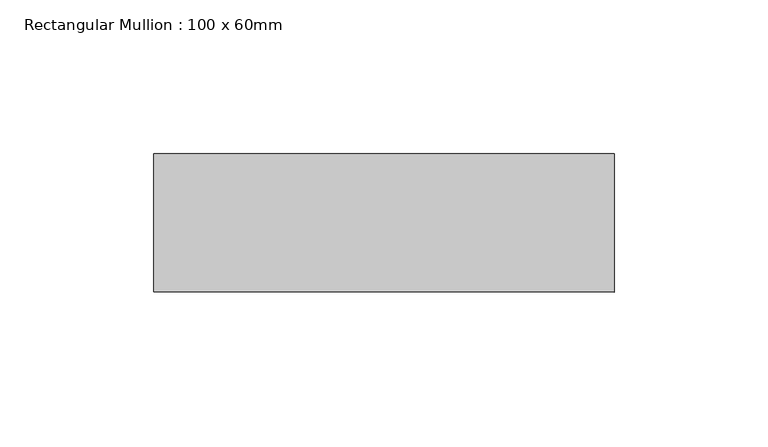
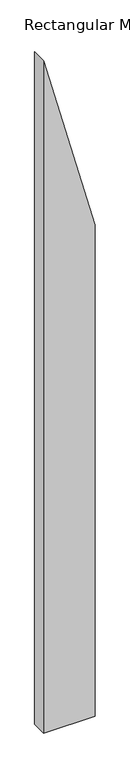
"""IFC4 building model written with IfcOpenShell, lengths in millimetres: member geometry, Rectangular Mullion : 100 x 60mm."""

from ifc_helpers import new_model, si_unit, frame, origin, place, context, project, spatial, polyline, outline, extrude, source, transform, mapped, element, save


def rectangular_mullion_100_x_60mm_7f592e69(model_context):
    return source(origin(), model_context, "Body", "SweptSolid", [
        extrude(outline(polyline([(-1245.8296369, 75.0), (-686.0220157, -75.0), (-2763.3905039, -75.0), (-2763.3905039, 75.0), (-1245.8296369, 75.0)])), frame((0.0, -15.0, 0.0), z_axis=(0.0, 1.0, 0.0), x_axis=(0.0, 0.0, 1.0)), (0.0, 0.0, 1.0), 45.0),
    ])


if __name__ == "__main__":
    model = new_model("IFC4")
    model_context = context("Model", 3, world=origin())
    ifc_project = project(units=[si_unit("LENGTHUNIT", "METRE", prefix="MILLI")], contexts=[model_context])
    site = spatial("IfcSite", under=ifc_project)
    building = spatial("IfcBuilding", under=site)
    placement = place(None, origin())
    rectangular_mullion_100_x_60mm_shape = rectangular_mullion_100_x_60mm_7f592e69(model_context)
    element("IfcMember", 1, ObjectType="Rectangular Mullion : 100 x 60mm", at=placement, inside=building, context=model_context, shape_type="MappedRepresentation", body=[
        mapped(rectangular_mullion_100_x_60mm_shape, transform((0.0, 0.0, 0.0), x_axis=(1.0, 0.0, 0.0), y_axis=(0.0, 1.0, 0.0), z_axis=(0.0, 0.0, 1.0))),
    ])
    save(model, "model.ifc")
